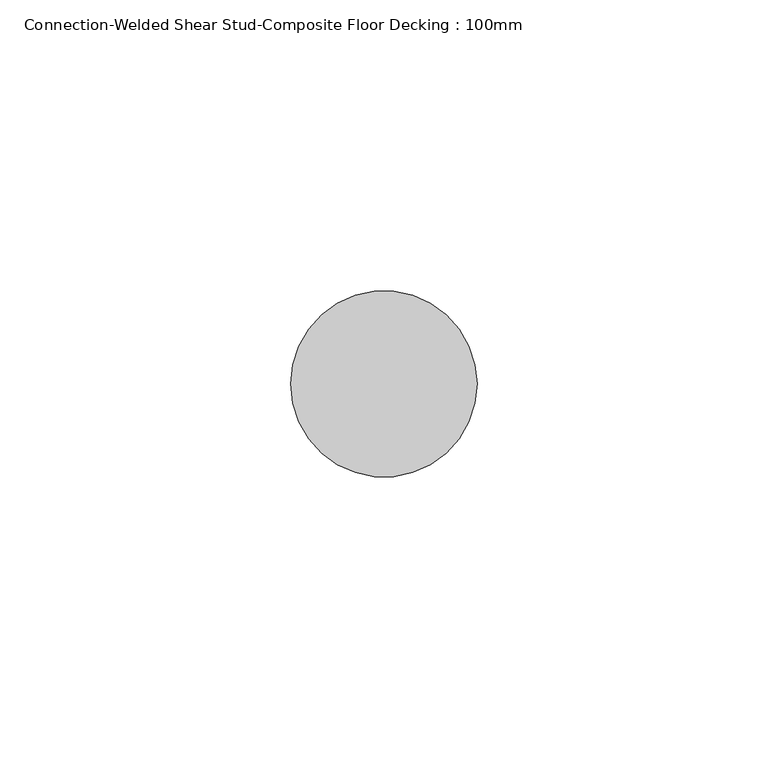
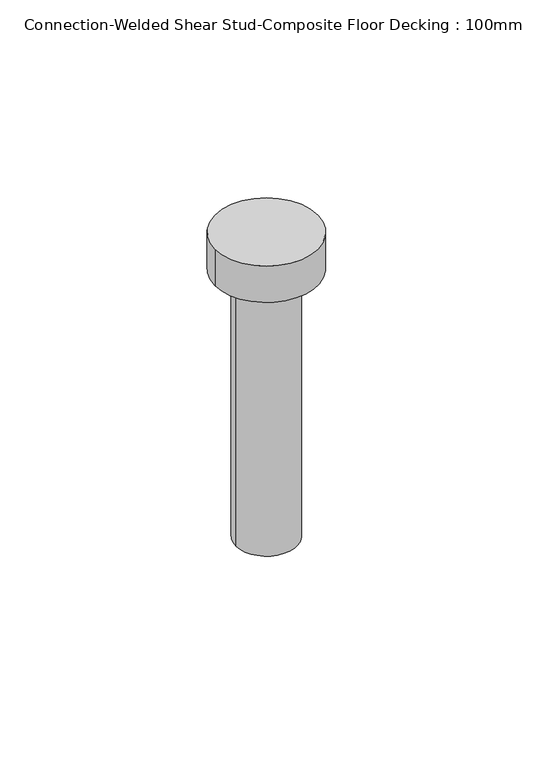
"""IFC4 building model written with IfcOpenShell, lengths in millimetres: fastener geometry, Connection-Welded Shear Stud-Composite Floor Decking : 100mm."""

from ifc_helpers import new_model, si_unit, point, frame, origin, origin_with_axes, origin_2d, place, context, project, spatial, circle_curve, trimmed, segment, composite_curve, outline, extrude, source, transform, mapped, element, save


def connection_welded_shear_stud_composite_floor_decking_100mm_73b6bc6b(model_context):
    return source(origin(), model_context, "Body", "SweptSolid", [
        extrude(outline(composite_curve([segment(trimmed(circle_curve(origin_2d(), 16.0), [point((16.0, 0.0))], [point((-16.0, 0.0))], False, "CARTESIAN"), True, "CONTINUOUS"), segment(trimmed(circle_curve(origin_2d(), 16.0), [point((-16.0, 0.0))], [point((16.0, 0.0))], False, "CARTESIAN"), True, "CONTINUOUS")], self_intersect=False)), frame((0.0, 0.0, 88.0), z_axis=(0.0, 0.0, 1.0), x_axis=(1.0, 0.0, 0.0)), (0.0, 0.0, 1.0), 12.0),
        extrude(outline(composite_curve([segment(trimmed(circle_curve(origin_2d(), 9.5), [point((-9.5, 0.0))], [point((9.5, 0.0))], False, "CARTESIAN"), True, "CONTINUOUS"), segment(trimmed(circle_curve(origin_2d(), 9.5), [point((9.5, 0.0))], [point((-9.5, 0.0))], False, "CARTESIAN"), True, "CONTINUOUS")], self_intersect=False)), origin_with_axes(), (0.0, 0.0, 1.0), 88.0),
    ])


if __name__ == "__main__":
    model = new_model("IFC4")
    model_context = context("Model", 3, world=origin())
    ifc_project = project(units=[si_unit("LENGTHUNIT", "METRE", prefix="MILLI")], contexts=[model_context])
    site = spatial("IfcSite", under=ifc_project)
    building = spatial("IfcBuilding", under=site)
    placement = place(None, origin())
    connection_welded_shear_stud_composite_floor_decking_100mm_shape = connection_welded_shear_stud_composite_floor_decking_100mm_73b6bc6b(model_context)
    element("IfcFastener", 1, ObjectType="Connection-Welded Shear Stud-Composite Floor Decking : 100mm", at=placement, inside=building, context=model_context, shape_type="MappedRepresentation", body=[
        mapped(connection_welded_shear_stud_composite_floor_decking_100mm_shape, transform((0.0, 0.0, 0.0), x_axis=(1.0, 0.0, 0.0), y_axis=(0.0, 1.0, 0.0), z_axis=(0.0, 0.0, 1.0))),
    ])
    save(model, "model.ifc")
